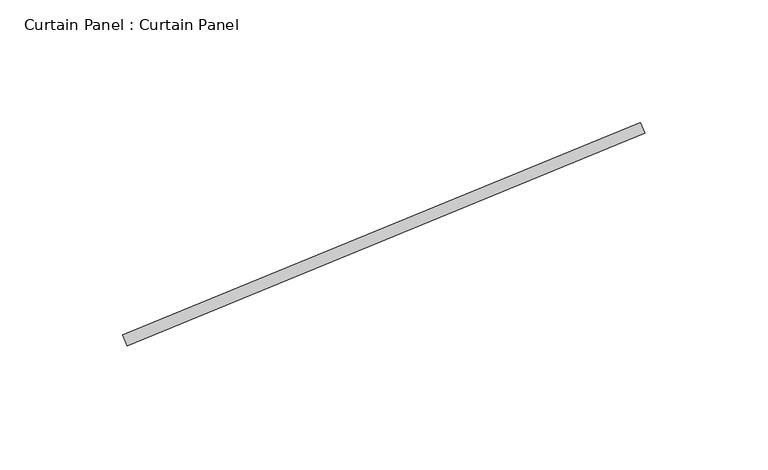
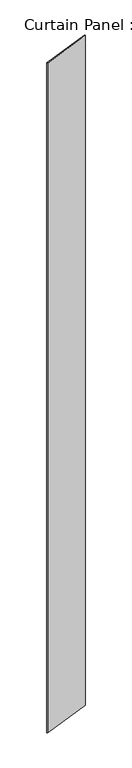
"""IFC4 building model written with IfcOpenShell, lengths in millimetres: plate geometry, Curtain Panel : Curtain Panel."""

from ifc_helpers import new_model, si_unit, origin, origin_with_axes, place, context, project, spatial, polyline, outline, extrude, source, transform, mapped, element, save


def curtain_panel_curtain_panel_a698f511(model_context):
    return source(origin(), model_context, "Body", "SweptSolid", [
        extrude(outline(polyline([(10507.0354087, 93031.4003816), (10295.5746254, 92944.553982), (10293.7653254, 92948.959415), (10505.2261087, 93035.8058146), (10507.0354087, 93031.4003816)])), origin_with_axes(), (0.0, 0.0, 1.0), 3048.0),
    ])


if __name__ == "__main__":
    model = new_model("IFC4")
    model_context = context("Model", 3, world=origin())
    ifc_project = project(units=[si_unit("LENGTHUNIT", "METRE", prefix="MILLI")], contexts=[model_context])
    site = spatial("IfcSite", under=ifc_project)
    building = spatial("IfcBuilding", under=site)
    placement = place(None, origin())
    curtain_panel_curtain_panel_shape = curtain_panel_curtain_panel_a698f511(model_context)
    element("IfcPlate", 1, ObjectType="Curtain Panel : Curtain Panel", at=placement, inside=building, context=model_context, shape_type="MappedRepresentation", body=[
        mapped(curtain_panel_curtain_panel_shape, transform((0.0, 0.0, 0.0), x_axis=(1.0, 0.0, 0.0), y_axis=(0.0, 1.0, 0.0), z_axis=(0.0, 0.0, 1.0))),
    ])
    save(model, "model.ifc")
